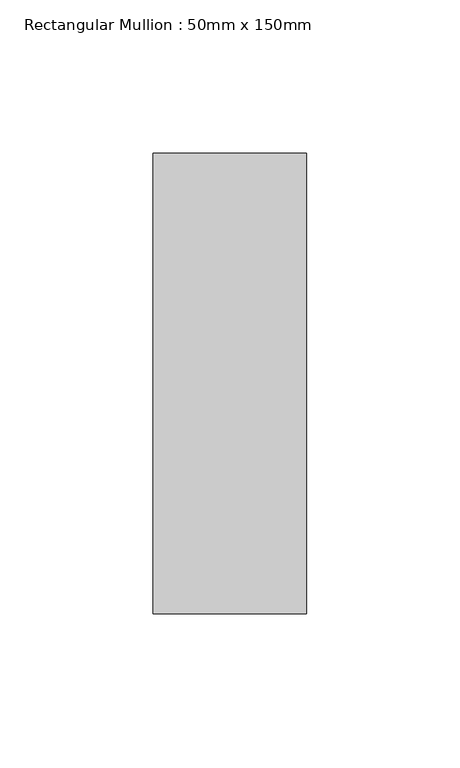
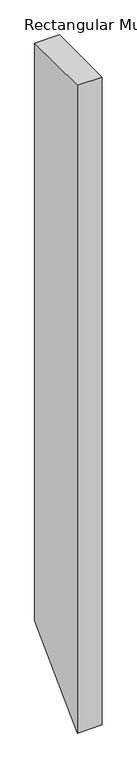
"""IFC4 building model written with IfcOpenShell, lengths in millimetres: member geometry, Rectangular Mullion : 50mm x 150mm."""

from ifc_helpers import new_model, si_unit, frame, origin, place, context, project, spatial, polyline, outline, extrude, source, transform, mapped, element, save


def rectangular_mullion_50mm_x_150mm_7a1b498b(model_context):
    return source(origin(), model_context, "Body", "SweptSolid", [
        extrude(outline(polyline([(-75.0, 0.0), (75.0, 0.0), (75.0, -1240.0), (-75.0, -1390.0), (-75.0, 0.0)])), frame((-50.0, 0.0, 0.0), z_axis=(1.0, 0.0, 0.0), x_axis=(0.0, 1.0, 0.0)), (0.0, 0.0, 1.0), 50.0),
    ])


if __name__ == "__main__":
    model = new_model("IFC4")
    model_context = context("Model", 3, world=origin())
    ifc_project = project(units=[si_unit("LENGTHUNIT", "METRE", prefix="MILLI")], contexts=[model_context])
    site = spatial("IfcSite", under=ifc_project)
    building = spatial("IfcBuilding", under=site)
    placement = place(None, origin())
    rectangular_mullion_50mm_x_150mm_shape = rectangular_mullion_50mm_x_150mm_7a1b498b(model_context)
    element("IfcMember", 1, ObjectType="Rectangular Mullion : 50mm x 150mm", at=placement, inside=building, context=model_context, shape_type="MappedRepresentation", body=[
        mapped(rectangular_mullion_50mm_x_150mm_shape, transform((0.0, 0.0, 0.0), x_axis=(1.0, 0.0, 0.0), y_axis=(0.0, 1.0, 0.0), z_axis=(0.0, 0.0, 1.0))),
    ])
    save(model, "model.ifc")
